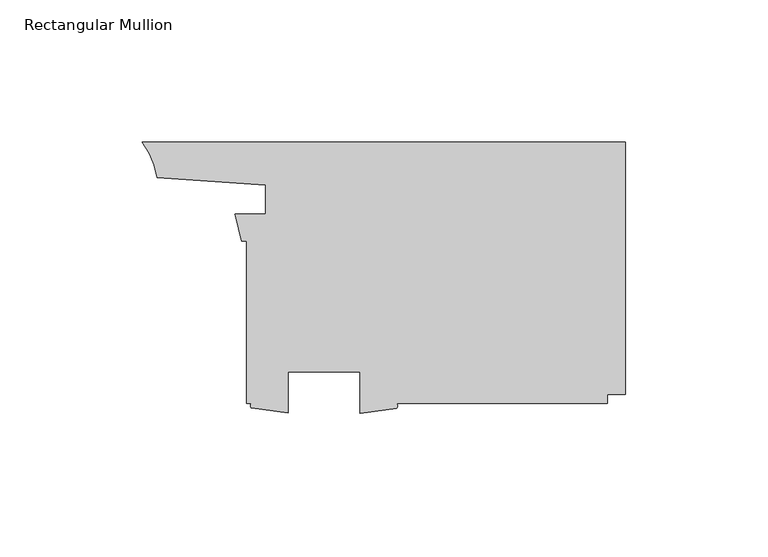
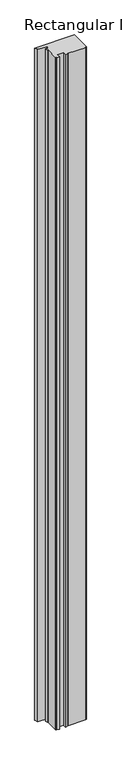
"""IFC4 building model written with IfcOpenShell, lengths in millimetres: member geometry, Rectangular Mullion."""

import ifcopenshell
import ifcopenshell.guid

model = None  # the IFC model being written
_history = None  # IfcOwnerHistory: only IFC2X3 demands one
_inside = {}  # id of a spatial element -> (the spatial element, [elements in it])
_under = {}  # id of a project, library or spatial element -> (it, [spatial elements below it])
_declared = {}  # id of a project -> (the project, [libraries it declares])
_typed = {}  # id of a type object -> (the type object, [elements of that type])
_made_of = {}  # id of a material, layer set ... -> (it, [elements and type objects made of it])


def new_model(schema):
    """Start an empty IFC model of exactly this schema.

    Asked for "IFC4X3", IfcOpenShell would pick the latest addendum, in which some entities
    have other attributes; the version numbers below select the first issue.
    IFC2X3 requires an IfcOwnerHistory on every rooted entity: one is made here for all.
    """
    global model, _history
    if schema == "IFC4X3":
        model = ifcopenshell.file(schema_version=(4, 3, 0, 0))
    else:
        model = ifcopenshell.file(schema=schema)
    _inside.clear()
    _under.clear()
    _declared.clear()
    _typed.clear()
    _made_of.clear()
    _history = None
    if model.schema == "IFC2X3":
        org = make("IfcOrganization", Name="unknown")
        user = make(
            "IfcPersonAndOrganization",
            ThePerson=make("IfcPerson", FamilyName="unknown"),
            TheOrganization=org,
        )
        app = make(
            "IfcApplication",
            ApplicationDeveloper=org,
            Version="unknown",
            ApplicationFullName="unknown",
            ApplicationIdentifier="unknown",
        )
        _history = make(
            "IfcOwnerHistory",
            OwningUser=user,
            OwningApplication=app,
            ChangeAction="ADDED",
            CreationDate=0,
        )
    return model


def make(cls, **values):
    """One entity of the class cls with the attributes given. An attribute that is None is left unset."""
    return model.create_entity(
        cls, **{name: value for name, value in values.items() if value is not None}
    )


def rooted(cls, **values):
    """An entity with a GlobalId (a new one), such as an element, a storey or a relation."""
    return make(cls, GlobalId=ifcopenshell.guid.new(), OwnerHistory=_history, **values)


def si_unit(unit_type, name, prefix=None):
    """IfcSIUnit, for example si_unit("LENGTHUNIT", "METRE", prefix="MILLI")."""
    return make("IfcSIUnit", UnitType=unit_type, Prefix=prefix, Name=name)


def assignment(units):
    """IfcUnitAssignment: the units of a project."""
    return None if units is None else make("IfcUnitAssignment", Units=units)


def point(xyz):
    """IfcCartesianPoint."""
    return None if xyz is None else make("IfcCartesianPoint", Coordinates=xyz)


def direction(xyz):
    """IfcDirection."""
    return None if xyz is None else make("IfcDirection", DirectionRatios=xyz)


def frame(location, z_axis=None, x_axis=None):
    """IfcAxis2Placement3D, a coordinate frame: its origin and axes. An axis left out is left unset."""
    return make(
        "IfcAxis2Placement3D",
        Location=point(location),
        Axis=direction(z_axis),
        RefDirection=direction(x_axis),
    )


def frame_2d(location, x_axis=None):
    """IfcAxis2Placement2D, a coordinate frame in the plane: its origin and x axis."""
    return make(
        "IfcAxis2Placement2D", Location=point(location), RefDirection=direction(x_axis)
    )


def origin():
    """The frame at (0, 0, 0) with its axes left unset."""
    return frame((0.0, 0.0, 0.0))


def place(relative_to, where):
    """IfcLocalPlacement: puts the frame where relative to a parent placement (None: the world)."""
    return make(
        "IfcLocalPlacement", PlacementRelTo=relative_to, RelativePlacement=where
    )


def context(
    kind, dimensions, precision=None, world=None, true_north=None, identifier=None
):
    """IfcGeometricRepresentationContext, for example the 3D "Model" context."""
    return make(
        "IfcGeometricRepresentationContext",
        ContextIdentifier=identifier,
        ContextType=kind,
        CoordinateSpaceDimension=dimensions,
        Precision=precision,
        WorldCoordinateSystem=world,
        TrueNorth=true_north,
    )


def project(units=None, contexts=None):
    """IfcProject with its units and contexts."""
    return rooted(
        "IfcProject",
        Name="project",
        RepresentationContexts=contexts,
        UnitsInContext=assignment(units),
    )


def spatial(cls, under=None, at=None, **own):
    """A site, building, storey or space (cls), placed at a placement, below another one or the project."""
    s = rooted(cls, ObjectPlacement=at, **own)
    if under is not None:
        _under.setdefault(under.id(), (under, []))[1].append(s)
    return s


def polyline(points):
    """IfcPolyline through the points."""
    return make("IfcPolyline", Points=[point(p) for p in points])


def circle_curve(where, radius):
    """IfcCircle in the frame where."""
    return make("IfcCircle", Position=where, Radius=radius)


def trimmed(basis, trim1, trim2, sense, master):
    """IfcTrimmedCurve: the piece of a basis curve between two trims."""
    return make(
        "IfcTrimmedCurve",
        BasisCurve=basis,
        Trim1=trim1,
        Trim2=trim2,
        SenseAgreement=sense,
        MasterRepresentation=master,
    )


def segment(curve, same_sense, transition):
    """IfcCompositeCurveSegment."""
    return make(
        "IfcCompositeCurveSegment",
        Transition=transition,
        SameSense=same_sense,
        ParentCurve=curve,
    )


def composite_curve(segments, self_intersect=None):
    """IfcCompositeCurve: segments joined end to end."""
    return make("IfcCompositeCurve", Segments=segments, SelfIntersect=self_intersect)


def outline(outer, holes=None, kind="AREA"):
    """IfcArbitraryClosedProfileDef: a profile drawn as a closed curve; with holes, ...WithVoids."""
    if holes is None:
        return make("IfcArbitraryClosedProfileDef", ProfileType=kind, OuterCurve=outer)
    return make(
        "IfcArbitraryProfileDefWithVoids",
        ProfileType=kind,
        OuterCurve=outer,
        InnerCurves=holes,
    )


def extrude(swept, where, along, depth):
    """IfcExtrudedAreaSolid: the profile swept, set in the frame where, extruded along a direction by depth."""
    return make(
        "IfcExtrudedAreaSolid",
        SweptArea=swept,
        Position=where,
        ExtrudedDirection=direction(along),
        Depth=depth,
    )


def shape(context_of_items, identifier, shape_type, items):
    """IfcShapeRepresentation: the items that make up one representation, for example the "Body"."""
    return make(
        "IfcShapeRepresentation",
        ContextOfItems=context_of_items,
        RepresentationIdentifier=identifier,
        RepresentationType=shape_type,
        Items=items,
    )


def source(mapping_origin, context_of_items, identifier, shape_type, items):
    """IfcRepresentationMap: a shape defined once, which mapped items show again and again."""
    return make(
        "IfcRepresentationMap",
        MappingOrigin=mapping_origin,
        MappedRepresentation=shape(context_of_items, identifier, shape_type, items),
    )


def transform(
    local_origin,
    x_axis=None,
    y_axis=None,
    z_axis=None,
    scale=None,
    scale2=None,
    scale3=None,
    uniform=True,
):
    """IfcCartesianTransformationOperator3D, or its non-uniform kind. x_axis, y_axis, z_axis: its Axis1, 2, 3."""
    if uniform:
        return make(
            "IfcCartesianTransformationOperator3D",
            Axis1=direction(x_axis),
            Axis2=direction(y_axis),
            LocalOrigin=point(local_origin),
            Scale=scale,
            Axis3=direction(z_axis),
        )
    return make(
        "IfcCartesianTransformationOperator3DnonUniform",
        Axis1=direction(x_axis),
        Axis2=direction(y_axis),
        LocalOrigin=point(local_origin),
        Scale=scale,
        Axis3=direction(z_axis),
        Scale2=scale2,
        Scale3=scale3,
    )


def mapped(mapping_source, mapping_target):
    """IfcMappedItem: shows the shape of a source again, moved by a transform."""
    return make(
        "IfcMappedItem", MappingSource=mapping_source, MappingTarget=mapping_target
    )


def made_of(thing, what):
    """Note that an element or type object is made of a material, layer set ...; save() writes the relation."""
    if what is not None:
        _made_of.setdefault(what.id(), (what, []))[1].append(thing)
    return thing


def element(
    cls,
    number,
    at=None,
    inside=None,
    cuts=None,
    type_object=None,
    material=None,
    context=None,
    identifier="Body",
    shape_type=None,
    held_by="IfcProductDefinitionShape",
    body=None,
    shapes=None,
    **own,
):
    """One element of the class cls, such as IfcWall. Its Tag is "e" and its number.

    at: its placement. inside: the storey or other place that contains it. cuts: it is an
    opening in that element (IfcRelVoidsElement). A single representation is given by context,
    identifier, shape_type and body (its items); several are given by shapes. held_by: the class
    of the entity that holds the representations. save() writes the other relations.
    """
    e = rooted(cls, Tag="e%d" % number, ObjectPlacement=at, **own)
    if body is not None:
        shapes = [shape(context, identifier, shape_type, body)]
    if shapes is not None:
        e.Representation = make(held_by, Representations=shapes)
    if inside is not None:
        _inside.setdefault(inside.id(), (inside, []))[1].append(e)
    if cuts is not None:
        rooted(
            "IfcRelVoidsElement", RelatingBuildingElement=cuts, RelatedOpeningElement=e
        )
    if type_object is not None:
        _typed.setdefault(type_object.id(), (type_object, []))[1].append(e)
    return made_of(e, material)


def aggregate(whole, parts):
    """IfcRelAggregates: a whole, such as a stair, and the parts it consists of."""
    return rooted("IfcRelAggregates", RelatingObject=whole, RelatedObjects=parts)


def save(model, path):
    """Write the relations noted so far, then the file.

    IfcRelAggregates (storeys below a building ...), IfcRelContainedInSpatialStructure (elements
    in a storey), IfcRelDefinesByType, IfcRelAssociatesMaterial and IfcRelDeclares: one each for
    every whole, place, type object, material and project.
    """
    for whole, parts in _under.values():
        aggregate(whole, parts)
    for where, things in _inside.values():
        rooted(
            "IfcRelContainedInSpatialStructure",
            RelatedElements=things,
            RelatingStructure=where,
        )
    for kind, things in _typed.values():
        rooted("IfcRelDefinesByType", RelatedObjects=things, RelatingType=kind)
    for what, things in _made_of.values():
        rooted("IfcRelAssociatesMaterial", RelatedObjects=things, RelatingMaterial=what)
    for by, libraries in _declared.values():
        rooted("IfcRelDeclares", RelatingContext=by, RelatedDefinitions=libraries)
    model.write(path)


def rectangular_mullion_0c0b0af0(model_context):
    return source(origin(), model_context, "Body", "SweptSolid", [
        extrude(outline(composite_curve([segment(trimmed(circle_curve(frame_2d((-81.3401363, -42.3100427)), 1.065983), [point((-80.6733597, -41.4783405))], [point((-80.6733597, -43.1417449))], False, "CARTESIAN"), True, "CONTINUOUS"), segment(polyline([(-80.6733597, -43.1417449), (-93.4464125, -44.9978623), (-93.4464125, -30.3658405), (-118.8464125, -30.3658405), (-118.8464125, -44.8743405), (-131.6177, -43.0642368)]), True, "CONTINUOUS"), segment(trimmed(circle_curve(frame_2d((-131.1775054, -42.273802)), 0.9047422), [point((-131.6177, -43.0642368))], [point((-131.6085499, -41.4783405))], False, "CARTESIAN"), True, "CONTINUOUS"), segment(polyline([(-131.6085499, -41.4783405), (-133.3499375, -41.4783405), (-133.3499375, 15.6717865), (-135.0812017, 15.6717865), (-137.5233844, 25.1967865), (-126.7327675, 25.1967865), (-126.7327675, 35.3567865), (-164.9873252, 38.0066886)]), True, "CONTINUOUS"), segment(trimmed(circle_curve(frame_2d((-192.0166343, 34.1382674)), 27.3047292), [point((-164.9873252, 38.0066886))], [point((-170.2298176, 50.5967865))], True, "CARTESIAN"), True, "CONTINUOUS"), segment(polyline([(-170.2298176, 50.5967865), (0.0, 50.5967865), (0.0, -38.3031865), (-6.3499375, -38.3031865), (-6.3499375, -41.4783405), (-80.6733597, -41.4783405)]), True, "CONTINUOUS")], self_intersect=False)), frame((0.0, 0.0, -3048.0), z_axis=(0.0, 0.0, 1.0), x_axis=(1.0, 0.0, 0.0)), (0.0, 0.0, 1.0), 3048.0),
    ])


if __name__ == "__main__":
    model = new_model("IFC4")
    model_context = context("Model", 3, world=origin())
    ifc_project = project(units=[si_unit("LENGTHUNIT", "METRE", prefix="MILLI")], contexts=[model_context])
    site = spatial("IfcSite", under=ifc_project)
    building = spatial("IfcBuilding", under=site)
    placement = place(None, origin())
    rectangular_mullion_shape = rectangular_mullion_0c0b0af0(model_context)
    element("IfcMember", 1, ObjectType="Rectangular Mullion", at=placement, inside=building, context=model_context, shape_type="MappedRepresentation", body=[
        mapped(rectangular_mullion_shape, transform((0.0, 0.0, 0.0), x_axis=(1.0, 0.0, 0.0), y_axis=(0.0, 1.0, 0.0), z_axis=(0.0, 0.0, 1.0))),
    ])
    save(model, "model.ifc")
